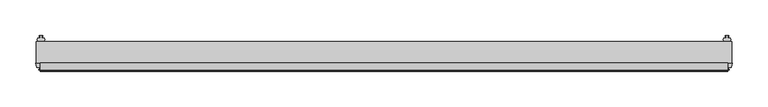
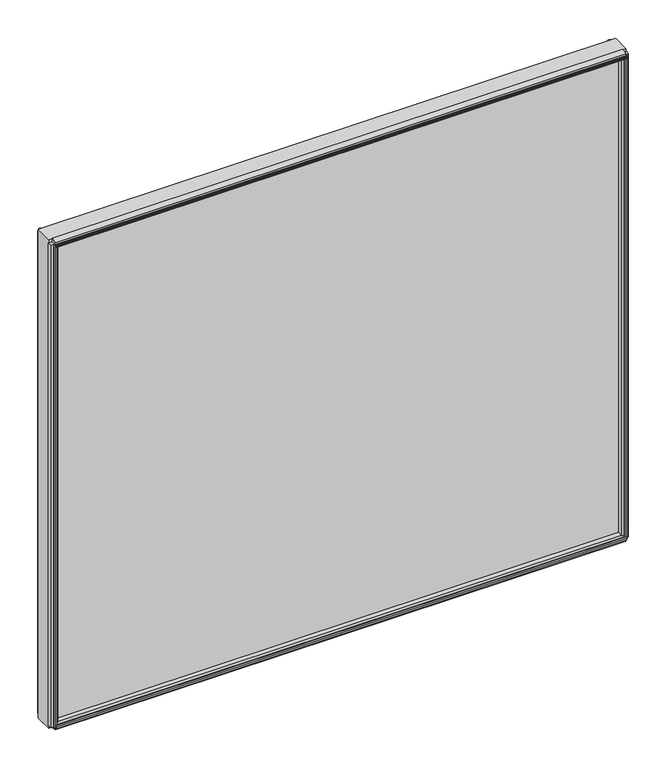
"""IFC4 building model written with IfcOpenShell, lengths in millimetres: plate geometry."""

from ifc_helpers import new_model, si_unit, frame, origin, place, context, project, spatial, polyline, outline, extrude, source, transform, mapped, element, save


def plate_3a9e2005(model_context):
    return source(origin(), model_context, "Body", "SweptSolid", [
        extrude(outline(polyline([(487.3, 0.0611188), (487.3, -30.0632812), (-487.3, -30.0632812), (-487.3, 0.0611188), (487.3, 0.0611188)])), frame((0.0, 0.0, 24.1101562), z_axis=(0.0, 0.0, 1.0), x_axis=(1.0, 0.0, 0.0)), (0.0, 0.0, 1.0), 872.6979284),
        extrude(outline(polyline([(-30.0632812, 897.3999858), (-30.0632812, 883.0303978), (-36.7942812, 884.7995697), (-37.9052879, 888.9459029), (-40.6553872, 888.7086403), (-40.0090278, 887.2777749), (-40.7941323, 887.0674068), (-41.7914929, 889.2193982), (-42.003749, 891.5817577), (-41.2186445, 891.7921258), (-41.0629754, 890.2297803), (-38.5626883, 891.3993545), (-39.6736949, 895.5456877), (-30.0632812, 897.3999858)])), frame((-481.74375, 0.0, 0.0), z_axis=(1.0, 0.0, 0.0), x_axis=(0.0, 1.0, 0.0)), (0.0, 0.0, 1.0), 963.4875),
        extrude(outline(polyline([(482.4959429, -39.5092713), (484.0444246, -39.2497314), (484.0473316, -40.0625262), (481.712, -40.4772812), (479.3737614, -40.0792415), (479.3737614, -39.2664467), (480.921153, -39.5149036), (480.4288273, -36.7987999), (476.1502005, -36.7987999), (474.9569, -30.0632812), (488.4671, -30.0632812), (487.2781205, -36.7744101), (482.9714891, -36.7744101), (482.4959429, -39.5092713)])), frame((0.0, 0.0, 29.6664062), z_axis=(0.0, 0.0, 1.0), x_axis=(1.0, 0.0, 0.0)), (0.0, 0.0, 1.0), 861.5854284),
        extrude(outline(polyline([(480.1660571, 7.5513088), (478.6175754, 7.2917689), (478.6146684, 8.1045637), (480.95, 8.5193188), (483.2882386, 8.121279), (483.2882386, 7.3084842), (481.740847, 7.5569411), (482.2331727, 4.8408374), (485.7241409, 4.8408374), (486.2529556, 2.5845617), (485.7198338, 0.0611188), (476.1801662, 0.0611188), (475.6470444, 2.5845617), (476.1748, 4.8363188), (479.6939662, 4.8363188), (480.1660571, 7.5513088)])), frame((0.0, 0.0, 29.6664062), z_axis=(0.0, 0.0, 1.0), x_axis=(1.0, 0.0, 0.0)), (0.0, 0.0, 1.0), 861.5854284),
        extrude(outline(polyline([(-482.4959429, -39.5092713), (-482.9714891, -36.7744101), (-487.2781205, -36.7744101), (-488.4671, -30.0632812), (-474.9569, -30.0632812), (-476.1502005, -36.7987999), (-480.4288273, -36.7987999), (-480.921153, -39.5149036), (-479.3737614, -39.2664467), (-479.3737614, -40.0792415), (-481.712, -40.4772812), (-484.0473316, -40.0625262), (-484.0444246, -39.2497314), (-482.4959429, -39.5092713)])), frame((0.0, 0.0, 29.6664062), z_axis=(0.0, 0.0, 1.0), x_axis=(1.0, 0.0, 0.0)), (0.0, 0.0, 1.0), 861.5854284),
        extrude(outline(polyline([(-480.1660571, 7.5513088), (-479.6939662, 4.8363188), (-476.1748, 4.8363188), (-475.6470444, 2.5845617), (-476.1801662, 0.0611188), (-485.7198338, 0.0611188), (-486.2529556, 2.5845617), (-485.7241409, 4.8408374), (-482.2331727, 4.8408374), (-481.740847, 7.5569411), (-483.2882386, 7.3084842), (-483.2882386, 8.121279), (-480.95, 8.5193188), (-478.6146684, 8.1045637), (-478.6175754, 7.2917689), (-480.1660571, 7.5513088)])), frame((0.0, 0.0, 29.6664062), z_axis=(0.0, 0.0, 1.0), x_axis=(1.0, 0.0, 0.0)), (0.0, 0.0, 1.0), 861.5854284),
        extrude(outline(polyline([(-30.0632812, 23.5182551), (-39.6736949, 25.3725532), (-38.5626883, 29.5188864), (-41.0629754, 30.6884606), (-41.2186445, 29.1261151), (-42.003749, 29.3364832), (-41.7914929, 31.6988428), (-40.7941323, 33.8508342), (-40.0090278, 33.6404661), (-40.6553872, 32.2096006), (-37.9052879, 31.972338), (-36.7942812, 36.1186712), (-30.0632812, 37.8878432), (-30.0632812, 23.5182551)])), frame((-481.74375, 0.0, 0.0), z_axis=(1.0, 0.0, 0.0), x_axis=(0.0, 1.0, 0.0)), (0.0, 0.0, 1.0), 963.4875),
    ])


if __name__ == "__main__":
    model = new_model("IFC4")
    model_context = context("Model", 3, world=origin())
    ifc_project = project(units=[si_unit("LENGTHUNIT", "METRE", prefix="MILLI")], contexts=[model_context])
    site = spatial("IfcSite", under=ifc_project)
    building = spatial("IfcBuilding", under=site)
    placement = place(None, origin())
    plate_shape = plate_3a9e2005(model_context)
    element("IfcPlate", 1, at=placement, inside=building, context=model_context, shape_type="MappedRepresentation", body=[
        mapped(plate_shape, transform((0.0, 0.0, 0.0), x_axis=(1.0, 0.0, 0.0), y_axis=(0.0, 1.0, 0.0), z_axis=(0.0, 0.0, 1.0))),
    ])
    save(model, "model.ifc")
